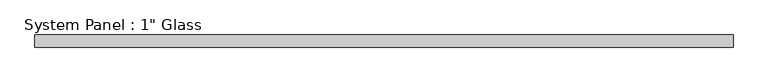
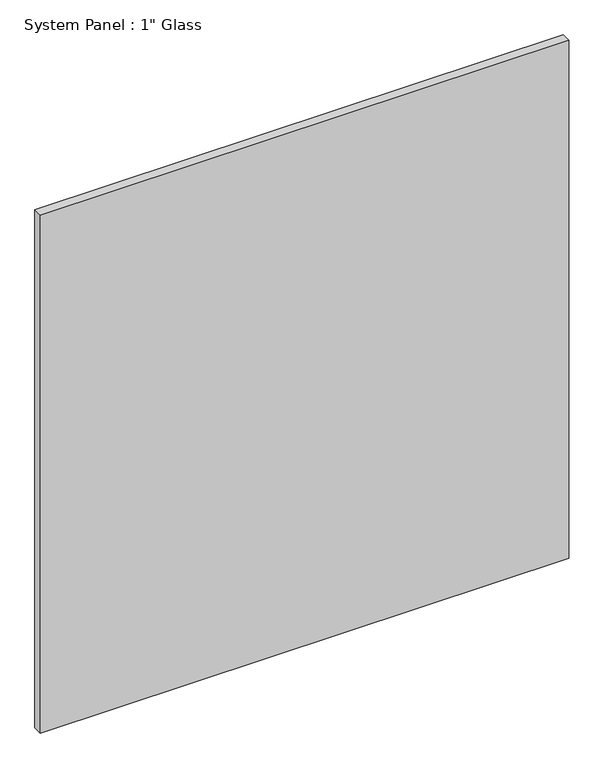
"""IFC4 building model written with IfcOpenShell, lengths in millimetres: plate geometry."""

from ifc_helpers import new_model, si_unit, origin, origin_with_axes, place, context, project, spatial, polyline, outline, extrude, source, transform, mapped, element, save


def plate_5908c370(model_context):
    return source(origin(), model_context, "Body", "SweptSolid", [
        extrude(outline(polyline([(704.2720691, -12.7), (-704.2720691, -12.7), (-704.2720691, 12.7), (704.2720691, 12.7), (704.2720691, -12.7)])), origin_with_axes(), (0.0, 0.0, 1.0), 1459.3441382),
    ])


if __name__ == "__main__":
    model = new_model("IFC4")
    model_context = context("Model", 3, world=origin())
    ifc_project = project(units=[si_unit("LENGTHUNIT", "METRE", prefix="MILLI")], contexts=[model_context])
    site = spatial("IfcSite", under=ifc_project)
    building = spatial("IfcBuilding", under=site)
    placement = place(None, origin())
    plate_shape = plate_5908c370(model_context)
    element("IfcPlate", 1, ObjectType="System Panel : 1\" Glass", at=placement, inside=building, context=model_context, shape_type="MappedRepresentation", body=[
        mapped(plate_shape, transform((0.0, 0.0, 0.0), x_axis=(1.0, 0.0, 0.0), y_axis=(0.0, 1.0, 0.0), z_axis=(0.0, 0.0, 1.0))),
    ])
    save(model, "model.ifc")
